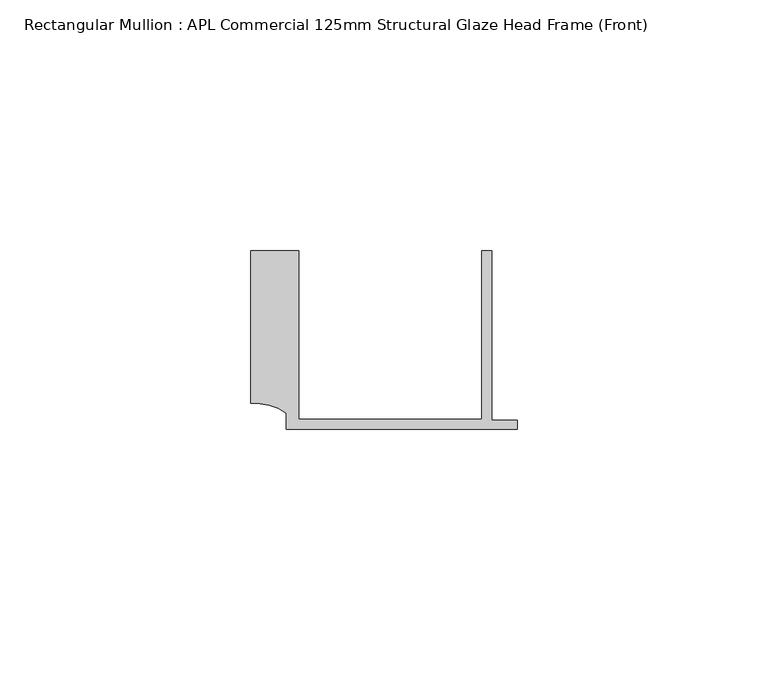
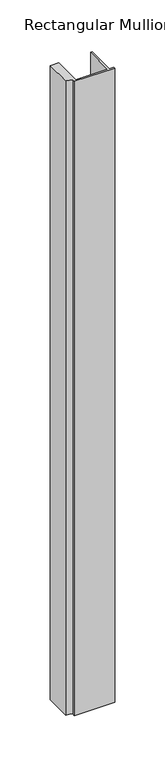
"""IFC4 building model written with IfcOpenShell, lengths in millimetres: member geometry, Rectangular Mullion : APL Commercial 125mm Structural Glaze Head Frame (Front)."""

import ifcopenshell
import ifcopenshell.guid

model = None  # the IFC model being written
_history = None  # IfcOwnerHistory: only IFC2X3 demands one
_inside = {}  # id of a spatial element -> (the spatial element, [elements in it])
_under = {}  # id of a project, library or spatial element -> (it, [spatial elements below it])
_declared = {}  # id of a project -> (the project, [libraries it declares])
_typed = {}  # id of a type object -> (the type object, [elements of that type])
_made_of = {}  # id of a material, layer set ... -> (it, [elements and type objects made of it])


def new_model(schema):
    """Start an empty IFC model of exactly this schema.

    Asked for "IFC4X3", IfcOpenShell would pick the latest addendum, in which some entities
    have other attributes; the version numbers below select the first issue.
    IFC2X3 requires an IfcOwnerHistory on every rooted entity: one is made here for all.
    """
    global model, _history
    if schema == "IFC4X3":
        model = ifcopenshell.file(schema_version=(4, 3, 0, 0))
    else:
        model = ifcopenshell.file(schema=schema)
    _inside.clear()
    _under.clear()
    _declared.clear()
    _typed.clear()
    _made_of.clear()
    _history = None
    if model.schema == "IFC2X3":
        org = make("IfcOrganization", Name="unknown")
        user = make(
            "IfcPersonAndOrganization",
            ThePerson=make("IfcPerson", FamilyName="unknown"),
            TheOrganization=org,
        )
        app = make(
            "IfcApplication",
            ApplicationDeveloper=org,
            Version="unknown",
            ApplicationFullName="unknown",
            ApplicationIdentifier="unknown",
        )
        _history = make(
            "IfcOwnerHistory",
            OwningUser=user,
            OwningApplication=app,
            ChangeAction="ADDED",
            CreationDate=0,
        )
    return model


def make(cls, **values):
    """One entity of the class cls with the attributes given. An attribute that is None is left unset."""
    return model.create_entity(
        cls, **{name: value for name, value in values.items() if value is not None}
    )


def rooted(cls, **values):
    """An entity with a GlobalId (a new one), such as an element, a storey or a relation."""
    return make(cls, GlobalId=ifcopenshell.guid.new(), OwnerHistory=_history, **values)


def si_unit(unit_type, name, prefix=None):
    """IfcSIUnit, for example si_unit("LENGTHUNIT", "METRE", prefix="MILLI")."""
    return make("IfcSIUnit", UnitType=unit_type, Prefix=prefix, Name=name)


def assignment(units):
    """IfcUnitAssignment: the units of a project."""
    return None if units is None else make("IfcUnitAssignment", Units=units)


def point(xyz):
    """IfcCartesianPoint."""
    return None if xyz is None else make("IfcCartesianPoint", Coordinates=xyz)


def direction(xyz):
    """IfcDirection."""
    return None if xyz is None else make("IfcDirection", DirectionRatios=xyz)


def frame(location, z_axis=None, x_axis=None):
    """IfcAxis2Placement3D, a coordinate frame: its origin and axes. An axis left out is left unset."""
    return make(
        "IfcAxis2Placement3D",
        Location=point(location),
        Axis=direction(z_axis),
        RefDirection=direction(x_axis),
    )


def frame_2d(location, x_axis=None):
    """IfcAxis2Placement2D, a coordinate frame in the plane: its origin and x axis."""
    return make(
        "IfcAxis2Placement2D", Location=point(location), RefDirection=direction(x_axis)
    )


def origin():
    """The frame at (0, 0, 0) with its axes left unset."""
    return frame((0.0, 0.0, 0.0))


def place(relative_to, where):
    """IfcLocalPlacement: puts the frame where relative to a parent placement (None: the world)."""
    return make(
        "IfcLocalPlacement", PlacementRelTo=relative_to, RelativePlacement=where
    )


def context(
    kind, dimensions, precision=None, world=None, true_north=None, identifier=None
):
    """IfcGeometricRepresentationContext, for example the 3D "Model" context."""
    return make(
        "IfcGeometricRepresentationContext",
        ContextIdentifier=identifier,
        ContextType=kind,
        CoordinateSpaceDimension=dimensions,
        Precision=precision,
        WorldCoordinateSystem=world,
        TrueNorth=true_north,
    )


def project(units=None, contexts=None):
    """IfcProject with its units and contexts."""
    return rooted(
        "IfcProject",
        Name="project",
        RepresentationContexts=contexts,
        UnitsInContext=assignment(units),
    )


def spatial(cls, under=None, at=None, **own):
    """A site, building, storey or space (cls), placed at a placement, below another one or the project."""
    s = rooted(cls, ObjectPlacement=at, **own)
    if under is not None:
        _under.setdefault(under.id(), (under, []))[1].append(s)
    return s


def polyline(points):
    """IfcPolyline through the points."""
    return make("IfcPolyline", Points=[point(p) for p in points])


def circle_curve(where, radius):
    """IfcCircle in the frame where."""
    return make("IfcCircle", Position=where, Radius=radius)


def trimmed(basis, trim1, trim2, sense, master):
    """IfcTrimmedCurve: the piece of a basis curve between two trims."""
    return make(
        "IfcTrimmedCurve",
        BasisCurve=basis,
        Trim1=trim1,
        Trim2=trim2,
        SenseAgreement=sense,
        MasterRepresentation=master,
    )


def segment(curve, same_sense, transition):
    """IfcCompositeCurveSegment."""
    return make(
        "IfcCompositeCurveSegment",
        Transition=transition,
        SameSense=same_sense,
        ParentCurve=curve,
    )


def composite_curve(segments, self_intersect=None):
    """IfcCompositeCurve: segments joined end to end."""
    return make("IfcCompositeCurve", Segments=segments, SelfIntersect=self_intersect)


def outline(outer, holes=None, kind="AREA"):
    """IfcArbitraryClosedProfileDef: a profile drawn as a closed curve; with holes, ...WithVoids."""
    if holes is None:
        return make("IfcArbitraryClosedProfileDef", ProfileType=kind, OuterCurve=outer)
    return make(
        "IfcArbitraryProfileDefWithVoids",
        ProfileType=kind,
        OuterCurve=outer,
        InnerCurves=holes,
    )


def extrude(swept, where, along, depth):
    """IfcExtrudedAreaSolid: the profile swept, set in the frame where, extruded along a direction by depth."""
    return make(
        "IfcExtrudedAreaSolid",
        SweptArea=swept,
        Position=where,
        ExtrudedDirection=direction(along),
        Depth=depth,
    )


def shape(context_of_items, identifier, shape_type, items):
    """IfcShapeRepresentation: the items that make up one representation, for example the "Body"."""
    return make(
        "IfcShapeRepresentation",
        ContextOfItems=context_of_items,
        RepresentationIdentifier=identifier,
        RepresentationType=shape_type,
        Items=items,
    )


def source(mapping_origin, context_of_items, identifier, shape_type, items):
    """IfcRepresentationMap: a shape defined once, which mapped items show again and again."""
    return make(
        "IfcRepresentationMap",
        MappingOrigin=mapping_origin,
        MappedRepresentation=shape(context_of_items, identifier, shape_type, items),
    )


def transform(
    local_origin,
    x_axis=None,
    y_axis=None,
    z_axis=None,
    scale=None,
    scale2=None,
    scale3=None,
    uniform=True,
):
    """IfcCartesianTransformationOperator3D, or its non-uniform kind. x_axis, y_axis, z_axis: its Axis1, 2, 3."""
    if uniform:
        return make(
            "IfcCartesianTransformationOperator3D",
            Axis1=direction(x_axis),
            Axis2=direction(y_axis),
            LocalOrigin=point(local_origin),
            Scale=scale,
            Axis3=direction(z_axis),
        )
    return make(
        "IfcCartesianTransformationOperator3DnonUniform",
        Axis1=direction(x_axis),
        Axis2=direction(y_axis),
        LocalOrigin=point(local_origin),
        Scale=scale,
        Axis3=direction(z_axis),
        Scale2=scale2,
        Scale3=scale3,
    )


def mapped(mapping_source, mapping_target):
    """IfcMappedItem: shows the shape of a source again, moved by a transform."""
    return make(
        "IfcMappedItem", MappingSource=mapping_source, MappingTarget=mapping_target
    )


def made_of(thing, what):
    """Note that an element or type object is made of a material, layer set ...; save() writes the relation."""
    if what is not None:
        _made_of.setdefault(what.id(), (what, []))[1].append(thing)
    return thing


def element(
    cls,
    number,
    at=None,
    inside=None,
    cuts=None,
    type_object=None,
    material=None,
    context=None,
    identifier="Body",
    shape_type=None,
    held_by="IfcProductDefinitionShape",
    body=None,
    shapes=None,
    **own,
):
    """One element of the class cls, such as IfcWall. Its Tag is "e" and its number.

    at: its placement. inside: the storey or other place that contains it. cuts: it is an
    opening in that element (IfcRelVoidsElement). A single representation is given by context,
    identifier, shape_type and body (its items); several are given by shapes. held_by: the class
    of the entity that holds the representations. save() writes the other relations.
    """
    e = rooted(cls, Tag="e%d" % number, ObjectPlacement=at, **own)
    if body is not None:
        shapes = [shape(context, identifier, shape_type, body)]
    if shapes is not None:
        e.Representation = make(held_by, Representations=shapes)
    if inside is not None:
        _inside.setdefault(inside.id(), (inside, []))[1].append(e)
    if cuts is not None:
        rooted(
            "IfcRelVoidsElement", RelatingBuildingElement=cuts, RelatedOpeningElement=e
        )
    if type_object is not None:
        _typed.setdefault(type_object.id(), (type_object, []))[1].append(e)
    return made_of(e, material)


def aggregate(whole, parts):
    """IfcRelAggregates: a whole, such as a stair, and the parts it consists of."""
    return rooted("IfcRelAggregates", RelatingObject=whole, RelatedObjects=parts)


def save(model, path):
    """Write the relations noted so far, then the file.

    IfcRelAggregates (storeys below a building ...), IfcRelContainedInSpatialStructure (elements
    in a storey), IfcRelDefinesByType, IfcRelAssociatesMaterial and IfcRelDeclares: one each for
    every whole, place, type object, material and project.
    """
    for whole, parts in _under.values():
        aggregate(whole, parts)
    for where, things in _inside.values():
        rooted(
            "IfcRelContainedInSpatialStructure",
            RelatedElements=things,
            RelatingStructure=where,
        )
    for kind, things in _typed.values():
        rooted("IfcRelDefinesByType", RelatedObjects=things, RelatingType=kind)
    for what, things in _made_of.values():
        rooted("IfcRelAssociatesMaterial", RelatedObjects=things, RelatingMaterial=what)
    for by, libraries in _declared.values():
        rooted("IfcRelDeclares", RelatingContext=by, RelatedDefinitions=libraries)
    model.write(path)


def rectangular_mullion_apl_commercial_125mm_structural_glaze_0806a2ca(model_context):
    return source(origin(), model_context, "Body", "SweptSolid", [
        extrude(outline(composite_curve([segment(polyline([(-52.9999542, 15.0), (-43.5000151, 15.0), (-43.5000151, -18.5002486), (-7.0, -18.5002486), (-7.0, 15.0), (-5.0, 15.0), (-5.0, -18.7002486), (0.0, -18.7002486), (0.0, -20.5002486), (-45.9999994, -20.5002486), (-45.9999994, -17.3126154)]), True, "CONTINUOUS"), segment(trimmed(circle_curve(frame_2d((-52.109817, -25.7982641)), 10.4563907), [point((-45.9999994, -17.3126154))], [point((-52.9999542, -15.3798304))], True, "CARTESIAN"), True, "CONTINUOUS"), segment(polyline([(-52.9999542, -15.3798304), (-52.9999542, 15.0)]), True, "CONTINUOUS")], self_intersect=False)), frame((0.0, 0.0, -768.0068829), z_axis=(0.0, 0.0, 1.0), x_axis=(1.0, 0.0, 0.0)), (0.0, 0.0, 1.0), 768.0068829),
    ])


if __name__ == "__main__":
    model = new_model("IFC4")
    model_context = context("Model", 3, world=origin())
    ifc_project = project(units=[si_unit("LENGTHUNIT", "METRE", prefix="MILLI")], contexts=[model_context])
    site = spatial("IfcSite", under=ifc_project)
    building = spatial("IfcBuilding", under=site)
    placement = place(None, origin())
    rectangular_mullion_apl_commercial_125mm_structural_glaze_shape = rectangular_mullion_apl_commercial_125mm_structural_glaze_0806a2ca(model_context)
    element("IfcMember", 1, ObjectType="Rectangular Mullion : APL Commercial 125mm Structural Glaze Head Frame (Front)", at=placement, inside=building, context=model_context, shape_type="MappedRepresentation", body=[
        mapped(rectangular_mullion_apl_commercial_125mm_structural_glaze_shape, transform((0.0, 0.0, 0.0), x_axis=(1.0, 0.0, 0.0), y_axis=(0.0, 1.0, 0.0), z_axis=(0.0, 0.0, 1.0))),
    ])
    save(model, "model.ifc")
